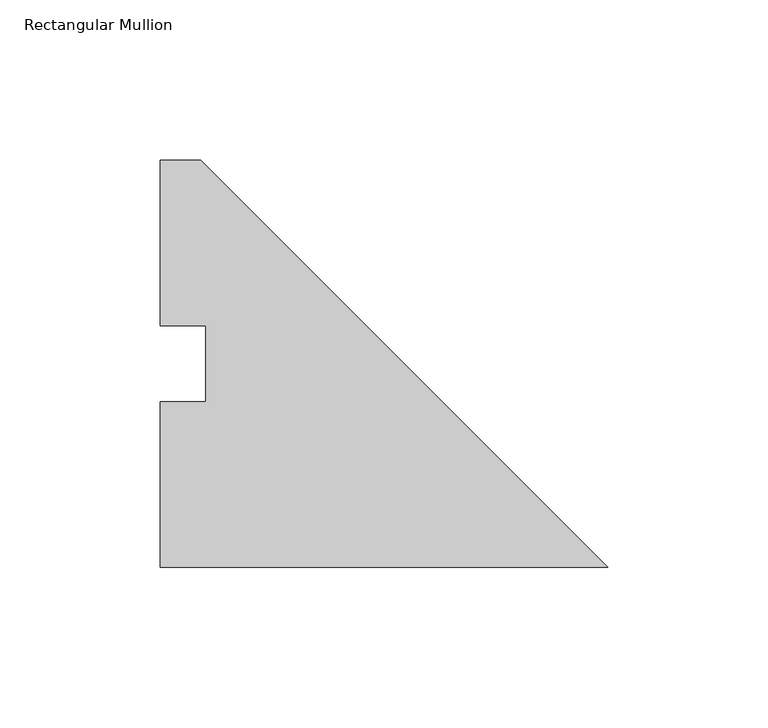
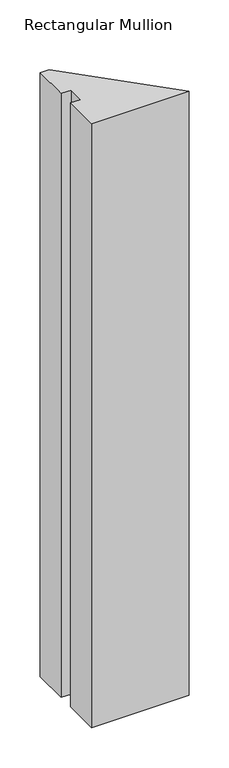
"""IFC4 building model written with IfcOpenShell, lengths in millimetres: member geometry, Rectangular Mullion."""

from ifc_helpers import new_model, si_unit, frame, origin, place, context, project, spatial, polyline, outline, extrude, source, transform, mapped, element, save


def rectangular_mullion_c749264f(model_context):
    return source(origin(), model_context, "Body", "SweptSolid", [
        extrude(outline(polyline([(-139.7, 0.00635), (-139.7, 51.60645), (-125.4125, 51.60645), (-125.4125, 75.40625), (-139.7, 75.40625), (-139.7, 127.00635), (-127.0, 127.00635), (0.0, 0.00635), (-139.7, 0.00635)])), frame((0.0, 0.0, -914.4), z_axis=(0.0, 0.0, 1.0), x_axis=(1.0, 0.0, 0.0)), (0.0, 0.0, 1.0), 914.4),
    ])


if __name__ == "__main__":
    model = new_model("IFC4")
    model_context = context("Model", 3, world=origin())
    ifc_project = project(units=[si_unit("LENGTHUNIT", "METRE", prefix="MILLI")], contexts=[model_context])
    site = spatial("IfcSite", under=ifc_project)
    building = spatial("IfcBuilding", under=site)
    placement = place(None, origin())
    rectangular_mullion_shape = rectangular_mullion_c749264f(model_context)
    element("IfcMember", 1, ObjectType="Rectangular Mullion", at=placement, inside=building, context=model_context, shape_type="MappedRepresentation", body=[
        mapped(rectangular_mullion_shape, transform((0.0, 0.0, 0.0), x_axis=(1.0, 0.0, 0.0), y_axis=(0.0, 1.0, 0.0), z_axis=(0.0, 0.0, 1.0))),
    ])
    save(model, "model.ifc")
